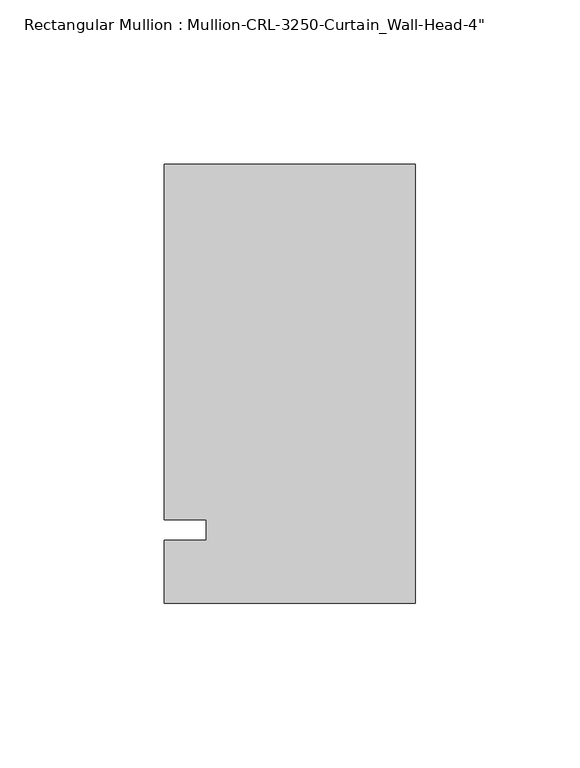
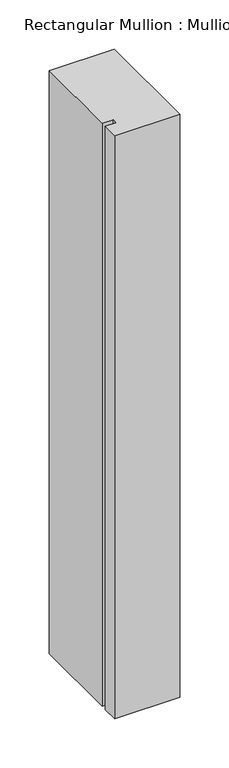
"""IFC4 building model written with IfcOpenShell, lengths in millimetres: member geometry."""

from ifc_helpers import new_model, si_unit, frame, origin, place, context, project, spatial, polyline, outline, extrude, source, transform, mapped, element, save


def member_eac7852c(model_context):
    return source(origin(), model_context, "Body", "SweptSolid", [
        extrude(outline(polyline([(0.0, -22.2254168), (-76.199997, -22.2254168), (-76.199997, -3.175), (-63.499997, -3.175), (-63.499997, 3.175), (-76.199997, 3.175), (-76.199997, 111.1245832), (0.0, 111.1245832), (0.0, -22.2254168)])), frame((0.0, 0.0, -723.9000045), z_axis=(0.0, 0.0, 1.0), x_axis=(1.0, 0.0, 0.0)), (0.0, 0.0, 1.0), 723.9000045),
    ])


if __name__ == "__main__":
    model = new_model("IFC4")
    model_context = context("Model", 3, world=origin())
    ifc_project = project(units=[si_unit("LENGTHUNIT", "METRE", prefix="MILLI")], contexts=[model_context])
    site = spatial("IfcSite", under=ifc_project)
    building = spatial("IfcBuilding", under=site)
    placement = place(None, origin())
    member_shape = member_eac7852c(model_context)
    element("IfcMember", 1, ObjectType="Rectangular Mullion : Mullion-CRL-3250-Curtain_Wall-Head-4\"", at=placement, inside=building, context=model_context, shape_type="MappedRepresentation", body=[
        mapped(member_shape, transform((0.0, 0.0, 0.0), x_axis=(1.0, 0.0, 0.0), y_axis=(0.0, 1.0, 0.0), z_axis=(0.0, 0.0, 1.0))),
    ])
    save(model, "model.ifc")
